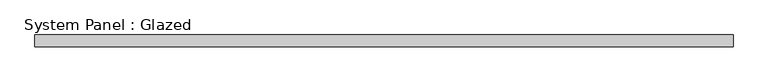
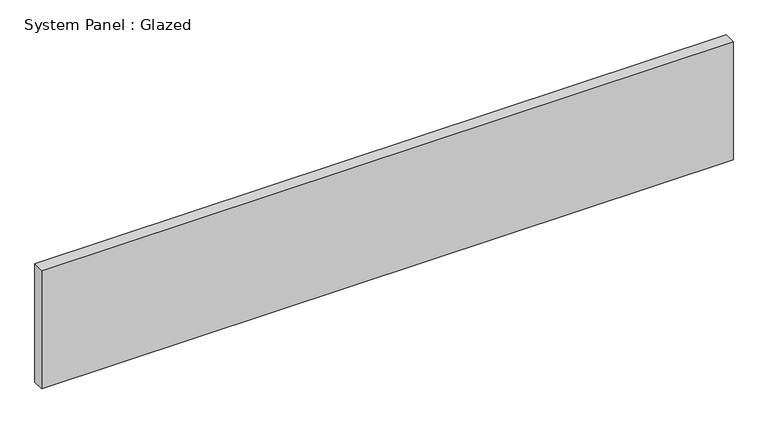
"""IFC4 building model written with IfcOpenShell, lengths in millimetres: plate geometry, System Panel : Glazed."""

from ifc_helpers import new_model, si_unit, origin, origin_with_axes, place, context, project, spatial, polyline, outline, extrude, source, transform, mapped, element, save


def system_panel_glazed_03397b9f(model_context):
    return source(origin(), model_context, "Body", "SweptSolid", [
        extrude(outline(polyline([(755.65, 19.05), (-755.65, 19.05), (-755.65, 44.45), (755.65, 44.45), (755.65, 19.05)])), origin_with_axes(), (0.0, 0.0, 1.0), 273.05),
    ])


if __name__ == "__main__":
    model = new_model("IFC4")
    model_context = context("Model", 3, world=origin())
    ifc_project = project(units=[si_unit("LENGTHUNIT", "METRE", prefix="MILLI")], contexts=[model_context])
    site = spatial("IfcSite", under=ifc_project)
    building = spatial("IfcBuilding", under=site)
    placement = place(None, origin())
    system_panel_glazed_shape = system_panel_glazed_03397b9f(model_context)
    element("IfcPlate", 1, ObjectType="System Panel : Glazed", at=placement, inside=building, context=model_context, shape_type="MappedRepresentation", body=[
        mapped(system_panel_glazed_shape, transform((0.0, 0.0, 0.0), x_axis=(1.0, 0.0, 0.0), y_axis=(0.0, 1.0, 0.0), z_axis=(0.0, 0.0, 1.0))),
    ])
    save(model, "model.ifc")
